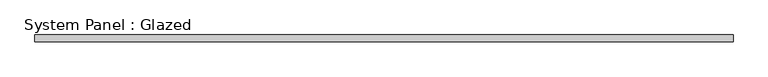
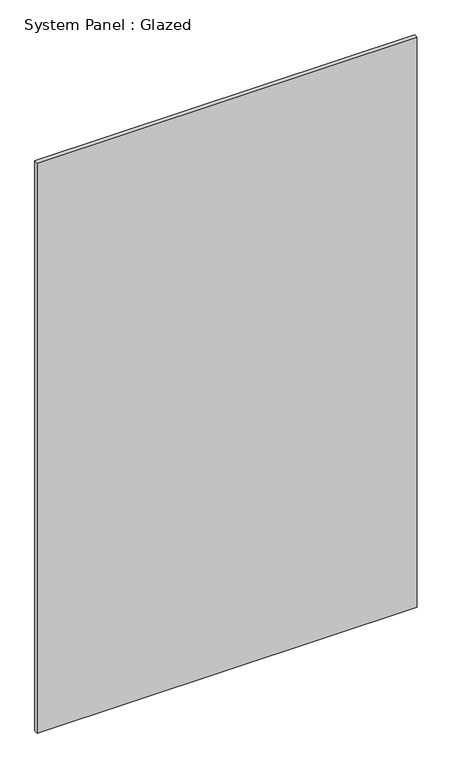
"""IFC4 building model written with IfcOpenShell, lengths in millimetres: plate geometry, System Panel : Glazed."""

from ifc_helpers import new_model, si_unit, origin, origin_with_axes, place, context, project, spatial, polyline, outline, extrude, source, transform, mapped, element, save


def system_panel_glazed_84410fce(model_context):
    return source(origin(), model_context, "Body", "SweptSolid", [
        extrude(outline(polyline([(1257.5000002, -49.5), (-1257.5000002, -49.5), (-1257.5000002, -24.5), (1257.5000002, -24.5), (1257.5000002, -49.5)])), origin_with_axes(), (0.0, 0.0, 1.0), 3985.0),
    ])


if __name__ == "__main__":
    model = new_model("IFC4")
    model_context = context("Model", 3, world=origin())
    ifc_project = project(units=[si_unit("LENGTHUNIT", "METRE", prefix="MILLI")], contexts=[model_context])
    site = spatial("IfcSite", under=ifc_project)
    building = spatial("IfcBuilding", under=site)
    placement = place(None, origin())
    system_panel_glazed_shape = system_panel_glazed_84410fce(model_context)
    element("IfcPlate", 1, ObjectType="System Panel : Glazed", at=placement, inside=building, context=model_context, shape_type="MappedRepresentation", body=[
        mapped(system_panel_glazed_shape, transform((0.0, 0.0, 0.0), x_axis=(1.0, 0.0, 0.0), y_axis=(0.0, 1.0, 0.0), z_axis=(0.0, 0.0, 1.0))),
    ])
    save(model, "model.ifc")
